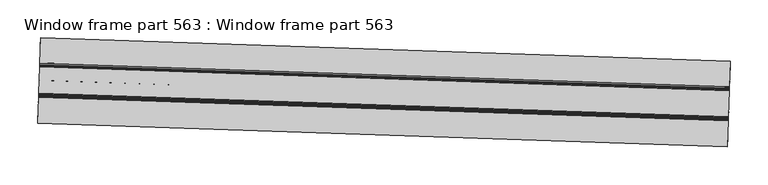
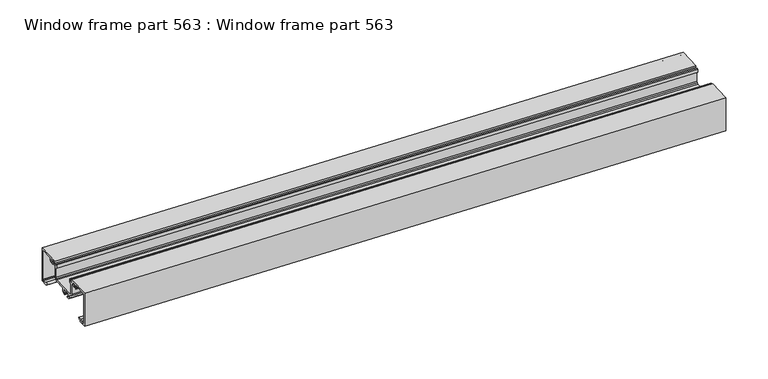
"""IFC4 building model written with IfcOpenShell, lengths in millimetres: proxy geometry, Window frame part 563 : Window frame part 563."""

from ifc_helpers import new_model, si_unit, frame, origin, place, context, project, spatial, polyline, outline, extrude, source, transform, mapped, element, save


def window_frame_part_563_window_frame_part_563_2add2335(model_context):
    return source(origin(), model_context, "Body", "SweptSolid", [
        extrude(outline(polyline([(-11.557, 0.0), (0.0, 0.0), (0.0, -2.032), (2.7432, -2.032), (4.3184603, -4.064), (-0.508, -4.064), (-1.9909469, -2.0246397), (-8.0011271, -2.0246397), (-9.5292506, -3.5518741), (-9.5292506, -47.244), (-8.0027432, -48.7696172), (10.4843623, -48.7696172), (10.9312094, -48.0183566), (10.4797668, -45.3599773), (11.7412132, -42.9768), (12.8579364, -42.9768), (13.2176634, -44.0594842), (12.5279809, -44.8182999), (12.9114515, -47.7310484), (15.8242001, -48.114519), (17.0306999, -46.0247998), (15.9451387, -43.7256088), (16.3774638, -42.9768), (17.494187, -42.9768), (18.7556334, -45.3599773), (18.3041907, -48.0183566), (18.7510378, -48.768), (21.0707185, -48.2601486), (21.0707185, -46.37532), (21.8524992, -44.4886835), (23.558373, -42.5210455), (23.558373, -27.686), (24.8230859, -24.6327129), (27.8763729, -23.368), (29.8703843, -22.9871115), (29.8703843, -17.653), (31.6488484, -15.8755759), (35.2298, -15.8755759), (35.2298, -17.5387), (34.0615041, -17.145), (31.6482886, -17.5258886), (32.0294557, -23.3679443), (34.4424, -22.9743), (35.2298, -23.368), (41.5798, -22.9743), (42.7480958, -23.368), (45.1613113, -22.9871115), (44.7801443, -17.1450557), (42.3672, -17.5387), (41.5798, -17.5387), (41.5798, -15.875), (45.1612, -15.875), (46.9397198, -17.6524799), (47.4476084, -23.3675914), (63.3095, -23.3675914), (66.3627871, -24.6327129), (67.6275, -27.686), (67.6275, -42.5210455), (69.3341568, -44.489466), (70.115303, -46.3753198), (70.6236002, -48.768), (72.4348353, -48.768), (72.8816825, -48.0183566), (72.4302398, -45.3599773), (73.6916862, -42.9768), (74.8084094, -42.9768), (75.1681364, -44.0594842), (74.2981637, -46.2890271), (75.4700387, -48.0538077), (77.774673, -48.114519), (78.981173, -46.0247998), (77.8956118, -43.7256088), (78.3279368, -42.9768), (79.5316577, -43.0613156), (80.7061064, -45.3599773), (80.2546637, -48.0183566), (80.7015109, -48.7675542), (99.1864274, -48.7675542), (100.710873, -47.244), (100.710873, -3.556), (100.2645037, -2.4783693), (99.186873, -2.032), (93.2183186, -2.5404458), (91.693873, -4.064), (86.8674126, -3.6063394), (88.442673, -2.032), (91.185873, -2.032), (91.185873, 0.0), (101.7752173, 0.0), (101.7752173, -50.7740097), (68.2527369, -50.7740097), (68.083303, -48.1965), (67.8971085, -45.9265146), (66.203703, -44.2341), (64.6412741, -44.6364807), (64.071373, -47.2313), (64.071373, -48.1965), (64.2999729, -49.0091584), (63.0792619, -48.5252169), (63.0550907, -43.3703446), (64.0206999, -42.9639514), (65.5955, -42.4561), (65.5955, -27.94), (64.8515511, -26.1439488), (63.0555, -25.4), (28.1303729, -25.4), (26.3343218, -26.1439488), (25.5902244, -27.94), (26.098373, -42.9641), (27.1649279, -42.4055453), (28.1305743, -43.370627), (28.1305743, -48.5013743), (26.8860485, -49.0091514), (27.1145, -48.1965), (26.0477, -44.2338926), (24.9819628, -44.2338926), (23.1025566, -46.37532), (23.83917, -48.1965), (22.9324911, -50.8), (-11.557, -50.8), (-11.557, 0.0)])), frame((34351.8915589, -15548.8999371, 1078.6334427), z_axis=(-0.9994149479161488, 0.0342017818506807, 0.0), x_axis=(0.0342017818506807, 0.9994149479161488, 0.0)), (0.0, 0.0, 1.0), 914.4),
    ])


if __name__ == "__main__":
    model = new_model("IFC4")
    model_context = context("Model", 3, world=origin())
    ifc_project = project(units=[si_unit("LENGTHUNIT", "METRE", prefix="MILLI")], contexts=[model_context])
    site = spatial("IfcSite", under=ifc_project)
    building = spatial("IfcBuilding", under=site)
    placement = place(None, origin())
    window_frame_part_563_window_frame_part_563_shape = window_frame_part_563_window_frame_part_563_2add2335(model_context)
    element("IfcBuildingElementProxy", 1, Name="Window frame part 563 : Window frame part 563", ObjectType="Window frame part 563 : Window frame part 563", at=placement, inside=building, context=model_context, shape_type="MappedRepresentation", body=[
        mapped(window_frame_part_563_window_frame_part_563_shape, transform((0.0, 0.0, 0.0), x_axis=(1.0, 0.0, 0.0), y_axis=(0.0, 1.0, 0.0), z_axis=(0.0, 0.0, 1.0))),
    ])
    save(model, "model.ifc")
